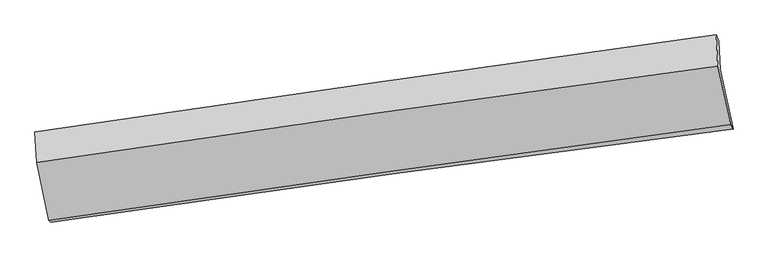
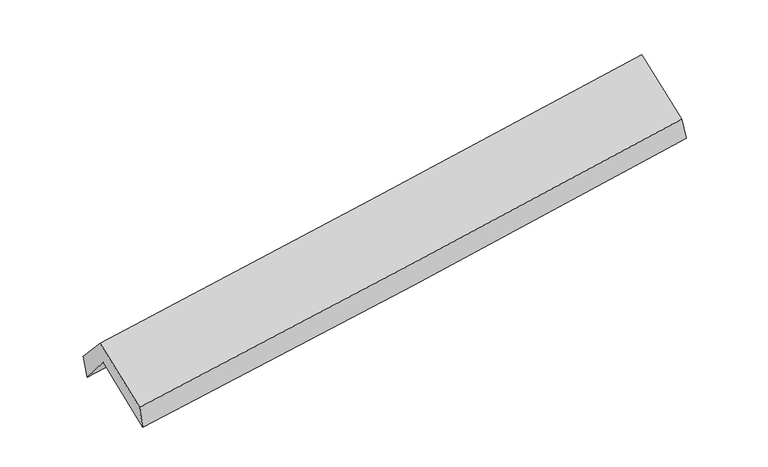
"""IFC4 building model written with IfcOpenShell, lengths in millimetres: proxy geometry."""

from ifc_helpers import new_model, si_unit, frame, origin, place, context, project, spatial, source, transform, mapped, element, save
from ifc_brep_helpers import plane_surface, spline_curve, spline_surface, advanced_brep


def generic_models_6397213e(model_context):
    return source(origin(), model_context, "Body", "AdvancedBrep", [
        advanced_brep(
        [(-2863.8568138, -2494.3548517, 1450.8842163), (-2969.6874752, -2000.8376722, 1874.5501568), (2910.7997519, -1175.0223346, 2367.0910934), (3022.7663059, -1687.2461152, 1947.6889723), (-2981.0343847, -1741.1319249, 1559.495257), (2900.0148043, -928.1786577, 2067.6394613), (-3002.7096181, -1713.6037335, 1774.4774993), (2876.7892917, -874.8114126, 2245.6366271), (-2988.6572482, -1977.5144192, 2064.0391191), (2891.3173099, -1145.5472007, 2542.713929), (-2883.298089, -2476.4909609, 1655.6103082), (3001.2497898, -1648.4655133, 2130.9310032)],
        [
            (0, 1),
            (1, 2, spline_curve(3, [(-2969.6874752, -2000.8376722, 1874.5501568), (-1989.612559689, -1855.019287555, 1939.130147434), (-1009.683446341, -1713.311823624, 2012.450083583), (950.47914002, -1438.035041778, 2176.619760235), (1930.712435791, -1304.470726614, 2267.480136475), (2910.7997519, -1175.0223346, 2367.0910934)], [4, 2, 4], [0.0, 9.775449649492325, 19.55684532278874])),
            (2, 3),
            (3, 0, spline_curve(3, [(3022.7663059, -1687.2461152, 1947.6889723), (2042.022852139, -1812.140810411, 1841.769864843), (1060.949952406, -1941.869137696, 1747.400838395), (-901.258154811, -2210.91125788, 1581.813291109), (-1882.392961346, -2350.219176136, 1510.580732474), (-2863.8568138, -2494.3548517, 1450.8842163)], [4, 2, 4], [0.0, 9.781395673296414, 19.55684532278874])),
            (1, 4),
            (4, 5, spline_curve(3, [(-2981.0343847, -1741.1319249, 1559.495257), (-2001.144203238, -1591.08538507, 1618.945977252), (-1021.260683501, -1448.334387986, 1690.999979875), (939.089054482, -1177.341087957, 1860.366044442), (1919.555264031, -1049.107662248, 1957.693443077), (2900.0148043, -928.1786577, 2067.6394613)], [4, 2, 4], [0.0, 9.772507909275879, 19.550960053010293])),
            (5, 2),
            (4, 6),
            (6, 7, spline_curve(3, [(-3002.7096181, -1713.6037335, 1774.4774993), (-2022.899564311, -1569.516025499, 1843.053891304), (-1043.185231899, -1427.593405165, 1916.591901476), (916.647854798, -1147.993330192, 2073.638906379), (1896.766491916, -1010.318510362, 2157.153938787), (2876.7892917, -874.8114126, 2245.6366271)], [4, 2, 4], [0.0, 9.771452120300145, 19.548847832863675])),
            (7, 5),
            (6, 8),
            (8, 9, spline_curve(3, [(-2988.6572482, -1977.5144192, 2064.0391191), (-2008.88613385, -1832.298661201, 2131.382865487), (-1029.151663698, -1690.38025695, 2204.930291469), (930.839900379, -1413.053838085, 2364.48101201), (1911.096949397, -1277.649836414, 2450.491856019), (2891.3173099, -1145.5472007, 2542.713929)], [4, 2, 4], [0.0, 9.770420898884142, 19.54678476278])),
            (9, 7),
            (8, 10),
            (10, 11, spline_curve(3, [(-2883.298089, -2476.4909609, 1655.6103082), (-1902.337956948, -2333.409997073, 1721.181447929), (-921.627918788, -2192.887595872, 1793.562961302), (1039.888345236, -1916.875999719, 1951.994905627), (2020.694266543, -1781.389918618, 2038.053623836), (3001.2497898, -1648.4655133, 2130.9310032)], [4, 2, 4], [0.0, 9.773606408461838, 19.553157719556317])),
            (11, 9),
            (10, 0),
            (3, 11),
        ],
        [
            spline_surface(3, 3, [[(-2863.8568138, -2494.3548517, 1450.8842163), (-1882.392961286, -2350.21917613, 1510.580732459), (-901.258154703, -2210.91125796, 1581.813291139), (1060.949952298, -1941.869137616, 1747.400838365), (2042.02285224, -1812.140810257, 1841.769865002), (3022.7663059, -1687.2461152, 1947.6889723)], [(-2899.133700927, -2329.849125201, 1592.106196466), (-1918.132827436, -2185.152546649, 1653.430537484), (-937.399918585, -2045.044779836, 1725.358888636), (1024.126348231, -1773.924439029, 1890.473812332), (2004.919380048, -1642.917449078, 1983.673288784), (2985.444121205, -1516.504854998, 2087.489679326)], [(-2934.410588073, -2165.343398699, 1733.328176634), (-1953.872693604, -2020.085917165, 1796.280342513), (-973.541682502, -1879.178301692, 1868.904486094), (987.302744129, -1605.979740421, 2033.546786259), (1967.815907942, -1473.694087906, 2125.576712587), (2948.121936595, -1345.763594802, 2227.290386374)], [(-2969.6874752, -2000.8376722, 1874.5501568), (-1989.612559754, -1855.019287684, 1939.130147539), (-1009.683446383, -1713.311823568, 2012.450083591), (950.479140062, -1438.035041834, 2176.619760226), (1930.712435751, -1304.470726727, 2267.480136369), (2910.7997519, -1175.0223346, 2367.0910934)]], [4, 4], [4, 2, 4], [0.0, 2.1948200496208443], [0.0, 9.775449649492325, 19.55684532278874]),
            spline_surface(3, 3, [[(-2969.6874752, -2000.8376722, 1874.5501568), (-1989.612559754, -1855.019287684, 1939.130147539), (-1009.683446383, -1713.311823568, 2012.450083591), (950.479140062, -1438.035041834, 2176.619760226), (1930.712435751, -1304.470726727, 2267.480136369), (2910.7997519, -1175.0223346, 2367.0910934)], [(-2973.469778366, -1914.269089789, 1769.531856881), (-1993.456440939, -1767.041320151, 1832.402090739), (-1013.542525375, -1624.986011732, 1905.300049022), (946.682444847, -1351.137057145, 2071.201854974), (1926.99337856, -1219.349705268, 2164.217905291), (2907.204769384, -1092.741108971, 2267.273882697)], [(-2977.252081534, -1827.700507311, 1664.513556919), (-1997.300322126, -1679.06335255, 1725.674033895), (-1017.401604406, -1536.660199954, 1798.150014435), (942.885749593, -1264.239072515, 1965.783949704), (1923.274321316, -1134.228683796, 2060.955674224), (2903.609786816, -1010.459883329, 2167.456672003)], [(-2981.0343847, -1741.1319249, 1559.495257), (-2001.144203311, -1591.085385017, 1618.945977095), (-1021.260683398, -1448.334388118, 1690.999979865), (939.089054378, -1177.341087825, 1860.366044451), (1919.555264125, -1049.107662337, 1957.693443146), (2900.0148043, -928.1786577, 2067.6394613)]], [4, 4], [4, 2, 4], [0.0, 1.3562189062647856], [0.0, 9.772507909275879, 19.550960053010293]),
            spline_surface(3, 3, [[(-2981.0343847, -1741.1319249, 1559.495257), (-2001.144203311, -1591.085385017, 1618.945977095), (-1021.260683398, -1448.334388118, 1690.999979865), (939.089054378, -1177.341087825, 1860.366044451), (1919.555264125, -1049.107662337, 1957.693443146), (2900.0148043, -928.1786577, 2067.6394613)], [(-2988.259462502, -1731.955861091, 1631.156004421), (-2008.395990323, -1583.89559854, 1693.648615156), (-1028.568866206, -1441.42072715, 1766.197287058), (931.60865445, -1167.558501965, 1931.456998401), (1911.959006745, -1036.177945006, 2024.180275028), (2892.272966758, -910.389576005, 2126.971849912)], [(-2995.484540298, -1722.779797309, 1702.816751879), (-2015.647777329, -1576.705812089, 1768.351253254), (-1035.87704895, -1434.507066132, 1841.394594306), (924.128254585, -1157.775916054, 2002.547952406), (1904.36274939, -1023.24822766, 2090.667106873), (2884.531129242, -892.600494295, 2186.304238488)], [(-3002.7096181, -1713.6037335, 1774.4774993), (-2022.899564341, -1569.516025613, 1843.053891316), (-1043.185231757, -1427.593405164, 1916.591901499), (916.647854656, -1147.993330193, 2073.638906355), (1896.76649201, -1010.318510329, 2157.153938755), (2876.7892917, -874.8114126, 2245.6366271)]], [4, 4], [4, 2, 4], [0.0, 0.7282309410516594], [0.0, 9.771452120300145, 19.548847832863675]),
            spline_surface(3, 3, [[(-3002.7096181, -1713.6037335, 1774.4774993), (-2022.899564341, -1569.516025613, 1843.053891316), (-1043.185231757, -1427.593405164, 1916.591901499), (916.647854656, -1147.993330193, 2073.638906355), (1896.76649201, -1010.318510329, 2157.153938755), (2876.7892917, -874.8114126, 2245.6366271)], [(-2998.025494786, -1801.573962075, 1870.99803924), (-2018.228420841, -1657.110237451, 1939.163549353), (-1038.507375719, -1515.189022383, 2012.704698141), (921.378536537, -1236.346832837, 2170.58627496), (1901.543311159, -1099.428952299, 2254.933244537), (2881.631964432, -965.056675296, 2344.662394383)], [(-2993.341371514, -1889.544190625, 1967.51857916), (-2013.557277383, -1744.704449263, 2035.273207372), (-1033.829519669, -1602.784639646, 2108.817494725), (926.10921843, -1324.700335526, 2267.533643508), (1906.320130311, -1188.539394282, 2352.712550369), (2886.474637168, -1055.301938004, 2443.688161717)], [(-2988.6572482, -1977.5144192, 2064.0391191), (-2008.886133882, -1832.298661101, 2131.382865409), (-1029.15166363, -1690.380256865, 2204.930291367), (930.839900311, -1413.05383817, 2364.481012112), (1911.09694946, -1277.649836252, 2450.49185615), (2891.3173099, -1145.5472007, 2542.713929)]], [4, 4], [4, 2, 4], [0.0, 1.286316028826914], [0.0, 9.770420898884142, 19.54678476278]),
            spline_surface(3, 3, [[(-2988.6572482, -1977.5144192, 2064.0391191), (-2008.886133882, -1832.298661101, 2131.382865409), (-1029.15166363, -1690.380256865, 2204.930291367), (930.839900311, -1413.05383817, 2364.481012112), (1911.09694946, -1277.649836252, 2450.49185615), (2891.3173099, -1145.5472007, 2542.713929)], [(-2953.537528496, -2143.839933088, 1927.896182113), (-1973.370074903, -1999.335773112, 1994.649059545), (-993.31041531, -1857.882703182, 2067.80784803), (967.189381964, -1580.994558715, 2226.985643254), (1947.629388524, -1445.563197044, 2313.012445337), (2927.961469858, -1313.186638245, 2405.452953729)], [(-2918.417808704, -2310.165447012, 1791.753245187), (-1937.854015836, -2166.37288516, 1857.915253743), (-957.469167065, -2025.385149483, 1930.685404711), (1003.538863542, -1748.935279245, 2089.490274413), (1984.161827614, -1613.4765578, 2175.533034536), (2964.605629842, -1480.826075755, 2268.191978471)], [(-2883.298089, -2476.4909609, 1655.6103082), (-1902.337956857, -2333.409997171, 1721.181447879), (-921.627918746, -2192.8875958, 1793.562961374), (1039.888345194, -1916.875999791, 1951.994905554), (2020.694266678, -1781.389918593, 2038.053623723), (3001.2497898, -1648.4655133, 2130.9310032)]], [4, 4], [4, 2, 4], [0.0, 2.1628302120625946], [0.0, 9.773606408461838, 19.553157719556317]),
            spline_surface(3, 3, [[(-2883.298089, -2476.4909609, 1655.6103082), (-1902.337956857, -2333.409997171, 1721.181447879), (-921.627918746, -2192.8875958, 1793.562961374), (1039.888345194, -1916.875999791, 1951.994905554), (2020.694266678, -1781.389918593, 2038.053623723), (3001.2497898, -1648.4655133, 2130.9310032)], [(-2876.817663923, -2482.445591156, 1587.368277579), (-1895.689624989, -2339.013056813, 1650.981209418), (-914.837997423, -2198.895483192, 1722.979737949), (1046.90888087, -1925.207045738, 1883.796883145), (2027.803795227, -1791.6402158, 1972.625704168), (3008.421961863, -1661.392380586, 2069.850326252)], [(-2870.337238877, -2488.400221444, 1519.126246921), (-1889.041293154, -2344.616116488, 1580.780970919), (-908.048076026, -2204.903370568, 1652.396514564), (1053.929416622, -1933.538091669, 1815.598860775), (2034.91332369, -1801.89051305, 1907.197784556), (3015.594133837, -1674.319247914, 2008.769649248)], [(-2863.8568138, -2494.3548517, 1450.8842163), (-1882.392961286, -2350.21917613, 1510.580732459), (-901.258154703, -2210.91125796, 1581.813291139), (1060.949952298, -1941.869137616, 1747.400838365), (2042.02285224, -1812.140810257, 1841.769865002), (3022.7663059, -1687.2461152, 1947.6889723)]], [4, 4], [4, 2, 4], [0.0, 0.6899636050250112], [0.0, 9.77768036254549, 19.5613081057506]),
            plane_surface(frame((2933.8228756, -1243.2118724, 2216.9501811), z_axis=(0.9856422226521802, 0.145985048352096, 0.08483969933295626), x_axis=(0.16676026537960079, -0.7628936541438858, -0.6246473295848741))),
            plane_surface(frame((-2948.2072715, -2067.3222604, 1729.8427595), z_axis=(-0.9865566908320796, -0.14175140051262713, -0.08131688771199674), x_axis=(-0.09418239351323222, 0.0865408246036608, 0.9917864500128226))),
        ],
        [
            (0, [[1, 2, 3, 4]]),
            (1, [[5, 6, 7, -2]]),
            (2, [[8, 9, 10, -6]]),
            (3, [[11, 12, 13, -9]]),
            (4, [[14, 15, 16, -12]]),
            (5, [[17, -4, 18, -15]]),
            (6, [[-16, -18, -3, -7, -10, -13]]),
            (7, [[-17, -14, -11, -8, -5, -1]]),
        ],
    ),
    ])


if __name__ == "__main__":
    model = new_model("IFC4")
    model_context = context("Model", 3, world=origin())
    ifc_project = project(units=[si_unit("LENGTHUNIT", "METRE", prefix="MILLI")], contexts=[model_context])
    site = spatial("IfcSite", under=ifc_project)
    building = spatial("IfcBuilding", under=site)
    placement = place(None, origin())
    generic_models_shape = generic_models_6397213e(model_context)
    element("IfcBuildingElementProxy", 1, Name="Generic Models", at=placement, inside=building, context=model_context, shape_type="MappedRepresentation", body=[
        mapped(generic_models_shape, transform((0.0, 0.0, 0.0), x_axis=(1.0, 0.0, 0.0), y_axis=(0.0, 1.0, 0.0), z_axis=(0.0, 0.0, 1.0))),
    ])
    save(model, "model.ifc")
